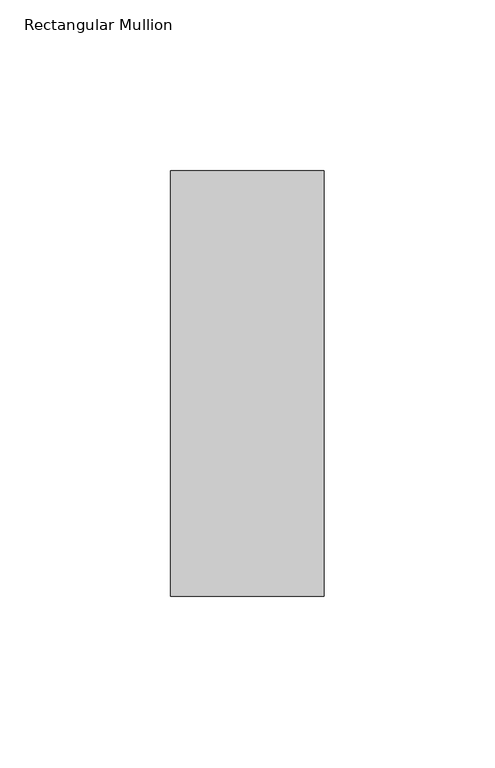
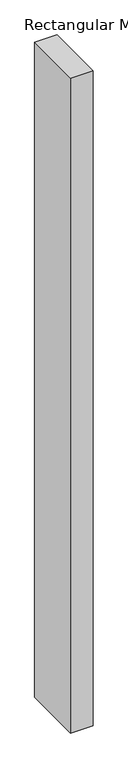
"""IFC4 building model written with IfcOpenShell, lengths in millimetres: member geometry, Rectangular Mullion."""

from ifc_helpers import new_model, si_unit, frame, origin, place, context, project, spatial, polyline, outline, extrude, source, transform, mapped, element, save


def rectangular_mullion_e8de770b(model_context):
    return source(origin(), model_context, "Body", "SweptSolid", [
        extrude(outline(polyline([(0.0, 77.84375), (0.0, -46.84375), (-45.0, -46.84375), (-45.0, 77.84375), (0.0, 77.84375)])), frame((0.0, 0.0, -1387.1191406), z_axis=(0.0, 0.0, 1.0), x_axis=(1.0, 0.0, 0.0)), (0.0, 0.0, 1.0), 1387.1191406),
    ])


if __name__ == "__main__":
    model = new_model("IFC4")
    model_context = context("Model", 3, world=origin())
    ifc_project = project(units=[si_unit("LENGTHUNIT", "METRE", prefix="MILLI")], contexts=[model_context])
    site = spatial("IfcSite", under=ifc_project)
    building = spatial("IfcBuilding", under=site)
    placement = place(None, origin())
    rectangular_mullion_shape = rectangular_mullion_e8de770b(model_context)
    element("IfcMember", 1, ObjectType="Rectangular Mullion", at=placement, inside=building, context=model_context, shape_type="MappedRepresentation", body=[
        mapped(rectangular_mullion_shape, transform((0.0, 0.0, 0.0), x_axis=(1.0, 0.0, 0.0), y_axis=(0.0, 1.0, 0.0), z_axis=(0.0, 0.0, 1.0))),
    ])
    save(model, "model.ifc")
